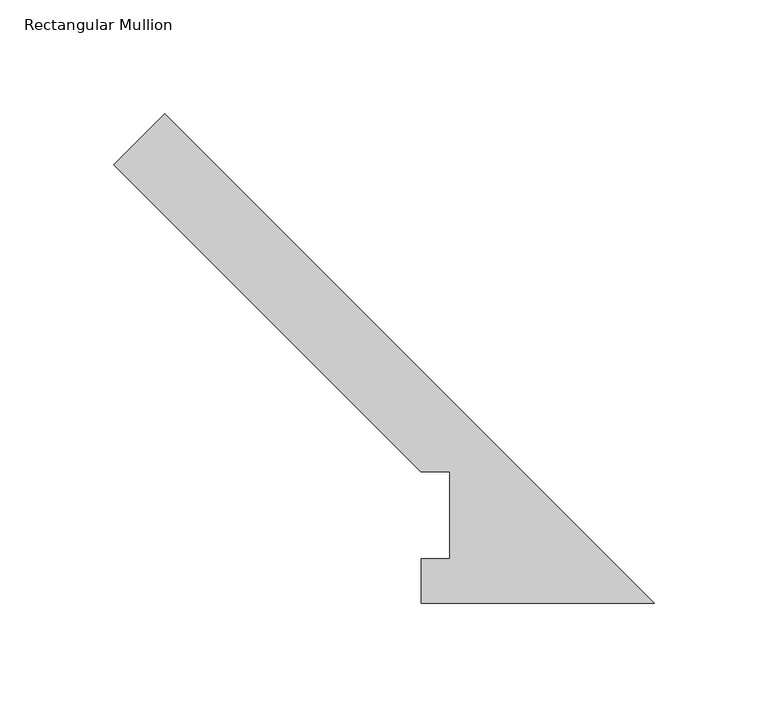
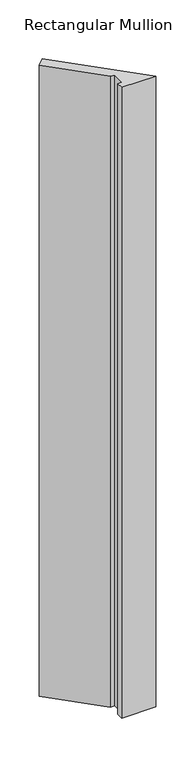
"""IFC4 building model written with IfcOpenShell, lengths in millimetres: member geometry, Rectangular Mullion."""

from ifc_helpers import new_model, si_unit, frame, origin, place, context, project, spatial, polyline, outline, extrude, source, transform, mapped, element, save


def rectangular_mullion_201c6758(model_context):
    return source(origin(), model_context, "Body", "SweptSolid", [
        extrude(outline(polyline([(-237.2434886, 192.3499356), (-214.7928483, 214.8005759), (0.0, 0.0077275), (-102.1557194, 0.0077275), (-102.1557194, 19.5403275), (-89.8396468, 19.5403275), (-89.8396468, 57.6460938), (-102.5396468, 57.6460938), (-237.2434886, 192.3499356)])), frame((0.0, 0.0, -1993.9), z_axis=(0.0, 0.0, 1.0), x_axis=(1.0, 0.0, 0.0)), (0.0, 0.0, 1.0), 1993.9),
    ])


if __name__ == "__main__":
    model = new_model("IFC4")
    model_context = context("Model", 3, world=origin())
    ifc_project = project(units=[si_unit("LENGTHUNIT", "METRE", prefix="MILLI")], contexts=[model_context])
    site = spatial("IfcSite", under=ifc_project)
    building = spatial("IfcBuilding", under=site)
    placement = place(None, origin())
    rectangular_mullion_shape = rectangular_mullion_201c6758(model_context)
    element("IfcMember", 1, ObjectType="Rectangular Mullion", at=placement, inside=building, context=model_context, shape_type="MappedRepresentation", body=[
        mapped(rectangular_mullion_shape, transform((0.0, 0.0, 0.0), x_axis=(1.0, 0.0, 0.0), y_axis=(0.0, 1.0, 0.0), z_axis=(0.0, 0.0, 1.0))),
    ])
    save(model, "model.ifc")
